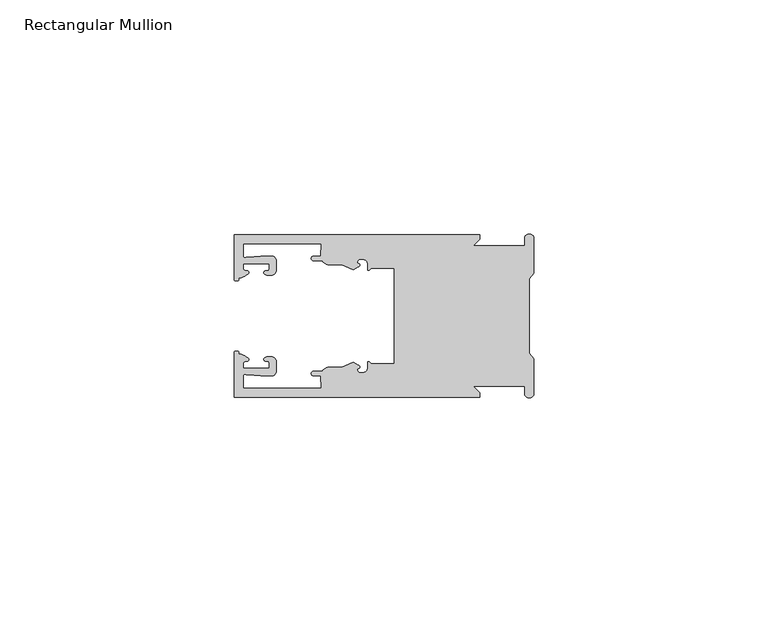
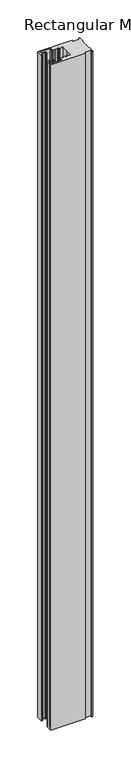
"""IFC4 building model written with IfcOpenShell, lengths in millimetres: member geometry, Rectangular Mullion."""

import ifcopenshell
import ifcopenshell.guid

model = None  # the IFC model being written
_history = None  # IfcOwnerHistory: only IFC2X3 demands one
_inside = {}  # id of a spatial element -> (the spatial element, [elements in it])
_under = {}  # id of a project, library or spatial element -> (it, [spatial elements below it])
_declared = {}  # id of a project -> (the project, [libraries it declares])
_typed = {}  # id of a type object -> (the type object, [elements of that type])
_made_of = {}  # id of a material, layer set ... -> (it, [elements and type objects made of it])


def new_model(schema):
    """Start an empty IFC model of exactly this schema.

    Asked for "IFC4X3", IfcOpenShell would pick the latest addendum, in which some entities
    have other attributes; the version numbers below select the first issue.
    IFC2X3 requires an IfcOwnerHistory on every rooted entity: one is made here for all.
    """
    global model, _history
    if schema == "IFC4X3":
        model = ifcopenshell.file(schema_version=(4, 3, 0, 0))
    else:
        model = ifcopenshell.file(schema=schema)
    _inside.clear()
    _under.clear()
    _declared.clear()
    _typed.clear()
    _made_of.clear()
    _history = None
    if model.schema == "IFC2X3":
        org = make("IfcOrganization", Name="unknown")
        user = make(
            "IfcPersonAndOrganization",
            ThePerson=make("IfcPerson", FamilyName="unknown"),
            TheOrganization=org,
        )
        app = make(
            "IfcApplication",
            ApplicationDeveloper=org,
            Version="unknown",
            ApplicationFullName="unknown",
            ApplicationIdentifier="unknown",
        )
        _history = make(
            "IfcOwnerHistory",
            OwningUser=user,
            OwningApplication=app,
            ChangeAction="ADDED",
            CreationDate=0,
        )
    return model


def make(cls, **values):
    """One entity of the class cls with the attributes given. An attribute that is None is left unset."""
    return model.create_entity(
        cls, **{name: value for name, value in values.items() if value is not None}
    )


def rooted(cls, **values):
    """An entity with a GlobalId (a new one), such as an element, a storey or a relation."""
    return make(cls, GlobalId=ifcopenshell.guid.new(), OwnerHistory=_history, **values)


def si_unit(unit_type, name, prefix=None):
    """IfcSIUnit, for example si_unit("LENGTHUNIT", "METRE", prefix="MILLI")."""
    return make("IfcSIUnit", UnitType=unit_type, Prefix=prefix, Name=name)


def assignment(units):
    """IfcUnitAssignment: the units of a project."""
    return None if units is None else make("IfcUnitAssignment", Units=units)


def point(xyz):
    """IfcCartesianPoint."""
    return None if xyz is None else make("IfcCartesianPoint", Coordinates=xyz)


def direction(xyz):
    """IfcDirection."""
    return None if xyz is None else make("IfcDirection", DirectionRatios=xyz)


def frame(location, z_axis=None, x_axis=None):
    """IfcAxis2Placement3D, a coordinate frame: its origin and axes. An axis left out is left unset."""
    return make(
        "IfcAxis2Placement3D",
        Location=point(location),
        Axis=direction(z_axis),
        RefDirection=direction(x_axis),
    )


def origin():
    """The frame at (0, 0, 0) with its axes left unset."""
    return frame((0.0, 0.0, 0.0))


def place(relative_to, where):
    """IfcLocalPlacement: puts the frame where relative to a parent placement (None: the world)."""
    return make(
        "IfcLocalPlacement", PlacementRelTo=relative_to, RelativePlacement=where
    )


def context(
    kind, dimensions, precision=None, world=None, true_north=None, identifier=None
):
    """IfcGeometricRepresentationContext, for example the 3D "Model" context."""
    return make(
        "IfcGeometricRepresentationContext",
        ContextIdentifier=identifier,
        ContextType=kind,
        CoordinateSpaceDimension=dimensions,
        Precision=precision,
        WorldCoordinateSystem=world,
        TrueNorth=true_north,
    )


def project(units=None, contexts=None):
    """IfcProject with its units and contexts."""
    return rooted(
        "IfcProject",
        Name="project",
        RepresentationContexts=contexts,
        UnitsInContext=assignment(units),
    )


def spatial(cls, under=None, at=None, **own):
    """A site, building, storey or space (cls), placed at a placement, below another one or the project."""
    s = rooted(cls, ObjectPlacement=at, **own)
    if under is not None:
        _under.setdefault(under.id(), (under, []))[1].append(s)
    return s


def polyline(points):
    """IfcPolyline through the points."""
    return make("IfcPolyline", Points=[point(p) for p in points])


def circle_curve(where, radius):
    """IfcCircle in the frame where."""
    return make("IfcCircle", Position=where, Radius=radius)


def shape(context_of_items, identifier, shape_type, items):
    """IfcShapeRepresentation: the items that make up one representation, for example the "Body"."""
    return make(
        "IfcShapeRepresentation",
        ContextOfItems=context_of_items,
        RepresentationIdentifier=identifier,
        RepresentationType=shape_type,
        Items=items,
    )


def source(mapping_origin, context_of_items, identifier, shape_type, items):
    """IfcRepresentationMap: a shape defined once, which mapped items show again and again."""
    return make(
        "IfcRepresentationMap",
        MappingOrigin=mapping_origin,
        MappedRepresentation=shape(context_of_items, identifier, shape_type, items),
    )


def transform(
    local_origin,
    x_axis=None,
    y_axis=None,
    z_axis=None,
    scale=None,
    scale2=None,
    scale3=None,
    uniform=True,
):
    """IfcCartesianTransformationOperator3D, or its non-uniform kind. x_axis, y_axis, z_axis: its Axis1, 2, 3."""
    if uniform:
        return make(
            "IfcCartesianTransformationOperator3D",
            Axis1=direction(x_axis),
            Axis2=direction(y_axis),
            LocalOrigin=point(local_origin),
            Scale=scale,
            Axis3=direction(z_axis),
        )
    return make(
        "IfcCartesianTransformationOperator3DnonUniform",
        Axis1=direction(x_axis),
        Axis2=direction(y_axis),
        LocalOrigin=point(local_origin),
        Scale=scale,
        Axis3=direction(z_axis),
        Scale2=scale2,
        Scale3=scale3,
    )


def mapped(mapping_source, mapping_target):
    """IfcMappedItem: shows the shape of a source again, moved by a transform."""
    return make(
        "IfcMappedItem", MappingSource=mapping_source, MappingTarget=mapping_target
    )


def made_of(thing, what):
    """Note that an element or type object is made of a material, layer set ...; save() writes the relation."""
    if what is not None:
        _made_of.setdefault(what.id(), (what, []))[1].append(thing)
    return thing


def element(
    cls,
    number,
    at=None,
    inside=None,
    cuts=None,
    type_object=None,
    material=None,
    context=None,
    identifier="Body",
    shape_type=None,
    held_by="IfcProductDefinitionShape",
    body=None,
    shapes=None,
    **own,
):
    """One element of the class cls, such as IfcWall. Its Tag is "e" and its number.

    at: its placement. inside: the storey or other place that contains it. cuts: it is an
    opening in that element (IfcRelVoidsElement). A single representation is given by context,
    identifier, shape_type and body (its items); several are given by shapes. held_by: the class
    of the entity that holds the representations. save() writes the other relations.
    """
    e = rooted(cls, Tag="e%d" % number, ObjectPlacement=at, **own)
    if body is not None:
        shapes = [shape(context, identifier, shape_type, body)]
    if shapes is not None:
        e.Representation = make(held_by, Representations=shapes)
    if inside is not None:
        _inside.setdefault(inside.id(), (inside, []))[1].append(e)
    if cuts is not None:
        rooted(
            "IfcRelVoidsElement", RelatingBuildingElement=cuts, RelatedOpeningElement=e
        )
    if type_object is not None:
        _typed.setdefault(type_object.id(), (type_object, []))[1].append(e)
    return made_of(e, material)


def aggregate(whole, parts):
    """IfcRelAggregates: a whole, such as a stair, and the parts it consists of."""
    return rooted("IfcRelAggregates", RelatingObject=whole, RelatedObjects=parts)


def save(model, path):
    """Write the relations noted so far, then the file.

    IfcRelAggregates (storeys below a building ...), IfcRelContainedInSpatialStructure (elements
    in a storey), IfcRelDefinesByType, IfcRelAssociatesMaterial and IfcRelDeclares: one each for
    every whole, place, type object, material and project.
    """
    for whole, parts in _under.values():
        aggregate(whole, parts)
    for where, things in _inside.values():
        rooted(
            "IfcRelContainedInSpatialStructure",
            RelatedElements=things,
            RelatingStructure=where,
        )
    for kind, things in _typed.values():
        rooted("IfcRelDefinesByType", RelatedObjects=things, RelatingType=kind)
    for what, things in _made_of.values():
        rooted("IfcRelAssociatesMaterial", RelatedObjects=things, RelatingMaterial=what)
    for by, libraries in _declared.values():
        rooted("IfcRelDeclares", RelatingContext=by, RelatedDefinitions=libraries)
    model.write(path)


def plane_surface(at):
    """IfcPlane: the flat surface through the origin of the frame at, square to its z axis."""
    return make("IfcPlane", Position=at)


def cylinder_surface(at, radius):
    """IfcCylindricalSurface: all points at the distance radius from the z axis of the frame at."""
    return make("IfcCylindricalSurface", Position=at, Radius=radius)


def revolved_surface(curve, axis_point, axis_direction):
    """IfcSurfaceOfRevolution: the curve turned about the line through axis_point along axis_direction."""
    return make(
        "IfcSurfaceOfRevolution",
        SweptCurve=make("IfcArbitraryOpenProfileDef", ProfileType="CURVE", Curve=curve),
        AxisPosition=make("IfcAxis1Placement", Location=point(axis_point), Axis=direction(axis_direction)),
    )


def extruded_surface(curve, direction_of_extrusion, depth):
    """IfcSurfaceOfLinearExtrusion: the curve pushed along a direction by depth."""
    return make(
        "IfcSurfaceOfLinearExtrusion",
        SweptCurve=make("IfcArbitraryOpenProfileDef", ProfileType="CURVE", Curve=curve),
        ExtrudedDirection=direction(direction_of_extrusion),
        Depth=depth,
    )


def spline_curve(degree, points, multiplicities, knots, weights=None):
    """IfcBSplineCurveWithKnots; with weights, IfcRationalBSplineCurveWithKnots."""
    own = dict(
        Degree=degree,
        ControlPointsList=[point(p) for p in points],
        CurveForm="UNSPECIFIED",
        ClosedCurve=False,
        SelfIntersect=False,
        KnotMultiplicities=multiplicities,
        Knots=knots,
        KnotSpec="UNSPECIFIED",
    )
    if weights is None:
        return make("IfcBSplineCurveWithKnots", **own)
    return make("IfcRationalBSplineCurveWithKnots", WeightsData=weights, **own)


def advanced_brep(points, edges, surfaces, faces):
    """IfcAdvancedBrep: a solid bounded by faces that lie on surfaces and meet in shared edges.

    An edge is (start, end): straight between two places in points (the first is 0);
    or (start, end, curve); or (start, end, curve, False) where it runs against its curve.
    A face is (place in surfaces, loops), or (place, loops, False) where it looks against
    its surface's normal. A loop lists edges by number (the first is 1), with a minus sign
    where the edge is run from its end to its start. The first loop is the outer one.
    """
    corners = [point(p) for p in points]
    vertices = [make("IfcVertexPoint", VertexGeometry=c) for c in corners]
    made = []
    for start, end, *more in edges:
        made.append(
            make(
                "IfcEdgeCurve",
                EdgeStart=vertices[start],
                EdgeEnd=vertices[end],
                EdgeGeometry=more[0] if more else make("IfcPolyline", Points=[corners[start], corners[end]]),
                SameSense=more[1] if len(more) > 1 else True,
            )
        )
    hull = []
    for where, loops, *sense in faces:
        bounds = []
        for j, loop in enumerate(loops):
            ring = [make("IfcOrientedEdge", EdgeElement=made[abs(k) - 1], Orientation=k > 0) for k in loop]
            bounds.append(
                make(
                    "IfcFaceOuterBound" if j == 0 else "IfcFaceBound",
                    Bound=make("IfcEdgeLoop", EdgeList=ring),
                    Orientation=True,
                )
            )
        hull.append(make("IfcAdvancedFace", Bounds=bounds, FaceSurface=surfaces[where], SameSense=sense[0] if sense else True))
    return make("IfcAdvancedBrep", Outer=make("IfcClosedShell", CfsFaces=hull))


def rectangular_mullion_878ceef8(model_context):
    return source(origin(), model_context, "Body", "AdvancedBrep", [
        advanced_brep(
        [(-11.5387897, 17.4000478, 0.0), (-64.0387868, 17.4000478, 0.0), (-64.0387868, 7.8350057, 0.0), (-63.2884687, 7.5412947, 0.0), (-62.4614154, 8.1921895, 0.0), (-62.0410649, 9.9426451, 0.0), (-62.0424168, 11.1926444, 0.0), (-56.54242, 11.1985924, 0.0), (-56.5410682, 9.9485931, 0.0), (-57.1085345, 8.7314723, 0.0), (-56.0397166, 8.6991345, 0.0), (-55.0407987, 9.7002154, 0.0), (-55.0430697, 11.8002142, 0.0), (-56.0446364, 12.7991315, 0.0), (-58.3650753, 12.7954945, 0.0), (-61.1340054, 12.5502269, 0.0), (-62.044093, 12.7426435, 0.0), (-62.0469668, 15.4000478, 0.0), (-45.4240312, 15.4000478, 0.0), (-45.5732135, 12.8000478, 0.0), (-47.0387868, 12.8000478, 0.0), (-47.0387868, 11.8000478, 0.0), (-45.2543363, 11.8000478, 0.0), (-43.6387868, 10.9000478, 0.0), (-41.0454034, 10.9000478, 0.0), (-38.5697136, 9.8718293, 0.0), (-37.5387868, 10.4670351, 0.0), (-37.6803436, 11.4201497, 0.0), (-37.0270763, 12.1583697, 0.0), (-36.2010815, 12.0127245, 0.0), (-35.54, 11.2248783, 0.0), (-35.54, 10.0, 0.0), (-34.7705791, 10.25, 0.0), (-29.79, 10.25, 0.0), (-29.79, 0.0, 0.0), (-29.79, -10.25, 0.0), (-34.7705791, -10.25, 0.0), (-35.54, -10.0, 0.0), (-35.54, -11.2248783, 0.0), (-36.2010815, -12.0127245, 0.0), (-37.0270763, -12.1583697, 0.0), (-37.6803436, -11.4201497, 0.0), (-37.5387868, -10.4670351, 0.0), (-38.5697136, -9.8718293, 0.0), (-41.0454034, -10.9000478, 0.0), (-43.6387868, -10.9000478, 0.0), (-45.2543363, -11.8000478, 0.0), (-47.0387868, -11.8000478, 0.0), (-47.0387868, -12.8000478, 0.0), (-45.5732135, -12.8000478, 0.0), (-45.4240312, -15.4000478, 0.0), (-62.0469668, -15.4000478, 0.0), (-62.044093, -12.7426435, 0.0), (-61.1340054, -12.5502269, 0.0), (-58.3650753, -12.7954945, 0.0), (-56.0446364, -12.7991314, 0.0), (-55.0430697, -11.8002142, 0.0), (-55.0407987, -9.7002154, 0.0), (-56.0397166, -8.6991345, 0.0), (-57.1085345, -8.7314723, 0.0), (-56.5410682, -9.9485931, 0.0), (-56.54242, -11.1985924, 0.0), (-62.0424168, -11.1926444, 0.0), (-62.0410649, -9.9426451, 0.0), (-62.4614154, -8.1921895, 0.0), (-63.2884687, -7.5412947, 0.0), (-64.0387868, -7.8350057, 0.0), (-64.0387868, -17.4000478, 0.0), (-11.5387897, -17.4000478, 0.0), (-11.5387897, -16.4000449, 0.0), (-12.9388346, -15.0, 0.0), (-2.0, -15.0, 0.0), (-2.0, -16.5, 0.0), (0.0, -16.5, 0.0), (0.0, -9.1160254, 0.0), (-1.0, -7.9613249, 0.0), (-1.0, 0.0, 0.0), (-1.0, 7.9613249, 0.0), (0.0, 9.1160254, 0.0), (0.0, 16.5, 0.0), (-2.0, 16.5, 0.0), (-2.0, 15.0, 0.0), (-12.9388346, 15.0, 0.0), (-11.5387897, 16.4000449, 0.0), (-11.5387897, 17.4000478, -1075.5733037), (-11.5387897, 16.4000449, -1075.5733037), (-12.9388346, 15.0, -1075.5733037), (-2.0, 15.0, -1075.5733037), (-2.0, 16.5, -1075.5733037), (0.0, 16.5, -1075.5733037), (0.0, 9.1160254, -1075.5733037), (-1.0, 7.9613249, -1075.5733037), (-1.0, 0.0, -1075.5733037), (-1.0, -7.9613249, -1075.5733037), (0.0, -9.1160254, -1075.5733037), (0.0, -16.5, -1075.5733037), (-2.0, -16.5, -1075.5733037), (-2.0, -15.0, -1075.5733037), (-12.9388346, -15.0, -1075.5733037), (-11.5387897, -16.4000449, -1075.5733037), (-11.5387897, -17.4000478, -1075.5733037), (-64.0387868, -17.4000478, -1075.5733037), (-64.0387868, -7.8350057, -1075.5733037), (-63.2884687, -7.5412947, -1075.5733037), (-62.4614154, -8.1921895, -1075.5733037), (-62.0410649, -9.9426451, -1075.5733037), (-62.0424168, -11.1926444, -1075.5733037), (-56.54242, -11.1985924, -1075.5733037), (-56.5410682, -9.9485931, -1075.5733037), (-57.1085345, -8.7314723, -1075.5733037), (-56.0397166, -8.6991345, -1075.5733037), (-55.0407987, -9.7002154, -1075.5733037), (-55.0430697, -11.8002142, -1075.5733037), (-56.0446364, -12.7991315, -1075.5733037), (-58.3650753, -12.7954945, -1075.5733037), (-61.1340054, -12.5502269, -1075.5733037), (-62.044093, -12.7426435, -1075.5733037), (-62.0469668, -15.4000478, -1075.5733037), (-45.4240312, -15.4000478, -1075.5733037), (-45.5732135, -12.8000478, -1075.5733037), (-47.0387868, -12.8000478, -1075.5733037), (-47.0387868, -11.8000478, -1075.5733037), (-45.2543363, -11.8000478, -1075.5733037), (-43.6387868, -10.9000478, -1075.5733037), (-41.0454034, -10.9000478, -1075.5733037), (-38.5697136, -9.8718293, -1075.5733037), (-37.5387868, -10.4670351, -1075.5733037), (-37.6803436, -11.4201497, -1075.5733037), (-37.0270763, -12.1583697, -1075.5733037), (-36.2010815, -12.0127245, -1075.5733037), (-35.54, -11.2248783, -1075.5733037), (-35.54, -10.0, -1075.5733037), (-34.7705791, -10.25, -1075.5733037), (-29.79, -10.25, -1075.5733037), (-29.79, 0.0, -1075.5733037), (-29.79, 10.25, -1075.5733037), (-34.7705791, 10.25, -1075.5733037), (-35.54, 10.0, -1075.5733037), (-35.54, 11.2248783, -1075.5733037), (-36.2010815, 12.0127245, -1075.5733037), (-37.0270763, 12.1583697, -1075.5733037), (-37.6803436, 11.4201497, -1075.5733037), (-37.5387868, 10.4670351, -1075.5733037), (-38.5697136, 9.8718293, -1075.5733037), (-41.0454034, 10.9000478, -1075.5733037), (-43.6387868, 10.9000478, -1075.5733037), (-45.2543363, 11.8000478, -1075.5733037), (-47.0387868, 11.8000478, -1075.5733037), (-47.0387868, 12.8000478, -1075.5733037), (-45.5732135, 12.8000478, -1075.5733037), (-45.4240312, 15.4000478, -1075.5733037), (-62.0469668, 15.4000478, -1075.5733037), (-62.044093, 12.7426435, -1075.5733037), (-61.1340054, 12.5502269, -1075.5733037), (-58.3650753, 12.7954945, -1075.5733037), (-56.0446364, 12.7991314, -1075.5733037), (-55.0430697, 11.8002142, -1075.5733037), (-55.0407987, 9.7002154, -1075.5733037), (-56.0397166, 8.6991345, -1075.5733037), (-57.1085345, 8.7314723, -1075.5733037), (-56.5410682, 9.9485931, -1075.5733037), (-56.54242, 11.1985924, -1075.5733037), (-62.0424168, 11.1926444, -1075.5733037), (-62.0410649, 9.9426451, -1075.5733037), (-62.4614154, 8.1921895, -1075.5733037), (-63.2884687, 7.5412947, -1075.5733037), (-64.0387868, 7.8350057, -1075.5733037), (-64.0387868, 17.4000478, -1075.5733037)],
        [
            (0, 1),
            (1, 2),
            (2, 3, spline_curve(3, [(-64.0387868, 7.8350057, 0.0), (-64.038491377, 7.561831774, 0.0), (-63.788385325, 7.463928087, 0.0), (-63.2884687, 7.5412947, 0.0)], [4, 4], [0.0, 0.0019169337574178654])),
            (3, 4, spline_curve(3, [(-63.2884687, 7.5412947, 0.0), (-63.057760917, 7.582232011, 0.0), (-63.018445067, 7.725390894, 0.0), (-63.019925494, 8.056436881, 0.0), (-63.103444208, 8.236386866, 0.0), (-62.4614154, 8.1921895, 0.0)], [4, 2, 4], [0.0, 0.0010199524164107188, 0.0024874514725970356])),
            (4, 5, spline_curve(3, [(-62.4614154, 8.1921895, 0.0), (-60.988497673, 8.880962536, 0.0), (-60.794045122, 9.192776957, 0.0), (-60.949808078, 9.57023562, 0.0), (-61.145214014, 9.682771697, 0.0), (-61.665835706, 9.714019003, 0.0), (-61.965242574, 9.660891484, 0.0), (-62.0410649, 9.9426451, 0.0)], [4, 2, 2, 4], [0.0, 0.003269869179570428, 0.005490050486237203, 0.0073545767114364426])),
            (5, 6),
            (6, 7),
            (7, 8),
            (8, 9, spline_curve(3, [(-56.5410682, 9.9485931, 0.0), (-56.634838635, 9.597117104, 0.0), (-56.904956774, 9.698238818, 0.0), (-57.324171444, 9.731086209, 0.0), (-57.45969165, 9.646199885, 0.0), (-57.729003352, 9.346016011, 0.0), (-57.859492582, 9.113082158, 0.0), (-57.1085345, 8.7314723, 0.0)], [4, 2, 2, 4], [0.0, 0.001593963049934732, 0.0033360256320283306, 0.005339140673503943])),
            (9, 10),
            (10, 11, circle_curve(frame((-56.0407981, 9.699134, 0.0), z_axis=(0.0, 0.0, 1.0), x_axis=(0.0010814451158627505, -0.9999994152380598, 0.0)), 1.0)),
            (11, 12),
            (12, 13, circle_curve(frame((-56.0430691, 11.7991327, 0.0), z_axis=(0.0, 0.0, 1.0), x_axis=(0.0010814451158627505, -0.9999994152380598, 0.0)), 1.0)),
            (13, 14),
            (14, 15),
            (15, 16, spline_curve(3, [(-61.1340054, 12.5502269, 0.0), (-61.605485428, 12.508463911, 0.0), (-61.992111419, 12.303164326, 0.0), (-62.044093, 12.7426435, 0.0)], [4, 4], [0.0, 0.0014803385355886016])),
            (16, 17),
            (17, 18),
            (18, 19),
            (19, 20),
            (20, 21, circle_curve(frame((-47.0387868, 12.3000478, 0.0), z_axis=(0.0, 0.0, 1.0), x_axis=(0.0, -1.0, 0.0)), 0.5)),
            (21, 22),
            (22, 23, circle_curve(frame((-43.6387868, 12.8000478, 0.0), z_axis=(0.0, 0.0, 1.0), x_axis=(0.0, -1.0, 0.0)), 1.9)),
            (23, 24),
            (24, 25),
            (25, 26),
            (26, 27, spline_curve(3, [(-37.5387868, 10.4670351, 0.0), (-36.973919853, 10.833863985, 0.0), (-37.198159645, 11.135696286, 0.0), (-37.587892011, 11.260246073, 0.0), (-37.754584192, 11.180452419, 0.0), (-37.6803436, 11.4201497, 0.0)], [4, 2, 4], [0.0, 0.0019283703160353726, 0.003394584635652914])),
            (27, 28, circle_curve(frame((-37.0434863, 11.5147359, 0.0), z_axis=(0.0, 0.0, -1.0), x_axis=(0.0, -1.0, 0.0)), 0.643843)),
            (28, 29),
            (29, 30, circle_curve(frame((-36.34, 11.2248783, 0.0), z_axis=(0.0, 0.0, -1.0), x_axis=(0.0, -1.0, 0.0)), 0.8)),
            (30, 31),
            (31, 32, spline_curve(3, [(-35.54, 10.0, 0.0), (-35.440000238, 9.598293201, 0.0), (-35.183526594, 9.681626535, 0.0), (-34.7705791, 10.25, 0.0)], [4, 4], [0.0, 0.0027473296990141553])),
            (32, 33),
            (33, 34),
            (34, 35),
            (35, 36),
            (36, 37, spline_curve(3, [(-34.7705791, -10.25, 0.0), (-35.183526594, -9.681626535, 0.0), (-35.440000238, -9.598293201, 0.0), (-35.54, -10.0, 0.0)], [4, 4], [0.0, 0.0027473296990141553])),
            (37, 38),
            (38, 39, circle_curve(frame((-36.34, -11.2248783, 0.0), z_axis=(0.0, 0.0, -1.0), x_axis=(0.0, 1.0, 0.0)), 0.8)),
            (39, 40),
            (40, 41, circle_curve(frame((-37.0434863, -11.5147359, 0.0), z_axis=(0.0, 0.0, -1.0), x_axis=(0.0, 1.0, 0.0)), 0.643843)),
            (41, 42, spline_curve(3, [(-37.6803436, -11.4201497, 0.0), (-37.754584192, -11.180452419, 0.0), (-37.587892011, -11.260246073, 0.0), (-37.198159645, -11.135696286, 0.0), (-36.973919853, -10.833863985, 0.0), (-37.5387868, -10.4670351, 0.0)], [4, 2, 4], [0.0, 0.0014662143196175414, 0.003394584635652914])),
            (42, 43),
            (43, 44),
            (44, 45),
            (45, 46, circle_curve(frame((-43.6387868, -12.8000478, 0.0), z_axis=(0.0, 0.0, 1.0), x_axis=(0.0, 1.0, 0.0)), 1.9)),
            (46, 47),
            (47, 48, circle_curve(frame((-47.0387868, -12.3000478, 0.0), z_axis=(0.0, 0.0, 1.0), x_axis=(0.0, 1.0, 0.0)), 0.5)),
            (48, 49),
            (49, 50),
            (50, 51),
            (51, 52),
            (52, 53, spline_curve(3, [(-62.044093, -12.7426435, 0.0), (-61.992111419, -12.303164326, 0.0), (-61.605485428, -12.508463911, 0.0), (-61.1340054, -12.5502269, 0.0)], [4, 4], [0.0, 0.0014803385355886016])),
            (53, 54),
            (54, 55),
            (55, 56, circle_curve(frame((-56.0430691, -11.7991327, 0.0), z_axis=(0.0, 0.0, 1.0), x_axis=(0.001081445115855867, 0.9999994152380598, 0.0)), 1.0)),
            (56, 57),
            (57, 58, circle_curve(frame((-56.0407981, -9.699134, 0.0), z_axis=(0.0, 0.0, 1.0), x_axis=(0.001081445115855867, 0.9999994152380598, 0.0)), 1.0)),
            (58, 59),
            (59, 60, spline_curve(3, [(-57.1085345, -8.7314723, 0.0), (-57.859492582, -9.113082158, 0.0), (-57.729003352, -9.346016011, 0.0), (-57.45969165, -9.646199885, 0.0), (-57.324171444, -9.731086209, 0.0), (-56.904956774, -9.698238818, 0.0), (-56.634838635, -9.597117104, 0.0), (-56.5410682, -9.9485931, 0.0)], [4, 2, 2, 4], [0.0, 0.002003115041475612, 0.0037451776235692107, 0.005339140673503943])),
            (60, 61),
            (61, 62),
            (62, 63),
            (63, 64, spline_curve(3, [(-62.0410649, -9.9426451, 0.0), (-61.965242574, -9.660891484, 0.0), (-61.665835706, -9.714019003, 0.0), (-61.145214014, -9.682771697, 0.0), (-60.949808078, -9.57023562, 0.0), (-60.794045122, -9.192776957, 0.0), (-60.988497673, -8.880962536, 0.0), (-62.4614154, -8.1921895, 0.0)], [4, 2, 2, 4], [0.0, 0.0018645262251992395, 0.004084707531866015, 0.0073545767114364426])),
            (64, 65, spline_curve(3, [(-62.4614154, -8.1921895, 0.0), (-63.103444208, -8.236386866, 0.0), (-63.019925494, -8.056436881, 0.0), (-63.018445067, -7.725390894, 0.0), (-63.057760917, -7.582232011, 0.0), (-63.2884687, -7.5412947, 0.0)], [4, 2, 4], [0.0, 0.0014674990561863168, 0.0024874514725970356])),
            (65, 66, spline_curve(3, [(-63.2884687, -7.5412947, 0.0), (-63.788385325, -7.463928087, 0.0), (-64.038491377, -7.561831774, 0.0), (-64.0387868, -7.8350057, 0.0)], [4, 4], [0.0, 0.0019169337574178654])),
            (66, 67),
            (67, 68),
            (68, 69),
            (69, 70),
            (70, 71),
            (71, 72),
            (72, 73, circle_curve(frame((-1.0, -16.5, 0.0), z_axis=(0.0, 0.0, 1.0), x_axis=(0.0, 1.0, 0.0)), 1.0)),
            (73, 74),
            (74, 75),
            (75, 76),
            (76, 77),
            (77, 78),
            (78, 79),
            (79, 80, circle_curve(frame((-1.0, 16.5, 0.0), z_axis=(0.0, 0.0, 1.0), x_axis=(0.0, -1.0, 0.0)), 1.0)),
            (80, 81),
            (81, 82),
            (82, 83),
            (83, 0),
            (84, 85),
            (85, 86),
            (86, 87),
            (87, 88),
            (88, 89, circle_curve(frame((-1.0, 16.5, -1075.5733037), z_axis=(0.0, 0.0, -1.0), x_axis=(0.0, -1.0, 0.0)), 1.0)),
            (89, 90),
            (90, 91),
            (91, 92),
            (92, 93),
            (93, 94),
            (94, 95),
            (95, 96, circle_curve(frame((-1.0, -16.5, -1075.5733037), z_axis=(0.0, 0.0, -1.0), x_axis=(0.0, 1.0, 0.0)), 1.0)),
            (96, 97),
            (97, 98),
            (98, 99),
            (99, 100),
            (100, 101),
            (101, 102),
            (102, 103, spline_curve(3, [(-64.0387868, -7.8350057, -1075.5733037), (-64.038491377, -7.561831774, -1075.5733037), (-63.788385325, -7.463928087, -1075.5733037), (-63.2884687, -7.5412947, -1075.5733037)], [4, 4], [0.0, 0.0019169337574178654])),
            (103, 104, spline_curve(3, [(-63.2884687, -7.5412947, -1075.5733037), (-63.057760917, -7.582232011, -1075.5733037), (-63.018445067, -7.725390894, -1075.5733037), (-63.019925494, -8.056436881, -1075.5733037), (-63.103444208, -8.236386866, -1075.5733037), (-62.4614154, -8.1921895, -1075.5733037)], [4, 2, 4], [0.0, 0.0010199524164107188, 0.0024874514725970356])),
            (104, 105, spline_curve(3, [(-62.4614154, -8.1921895, -1075.5733037), (-60.988497673, -8.880962536, -1075.5733037), (-60.794045122, -9.192776957, -1075.5733037), (-60.949808078, -9.57023562, -1075.5733037), (-61.145214014, -9.682771697, -1075.5733037), (-61.665835706, -9.714019003, -1075.5733037), (-61.965242574, -9.660891484, -1075.5733037), (-62.0410649, -9.9426451, -1075.5733037)], [4, 2, 2, 4], [0.0, 0.003269869179570428, 0.005490050486237203, 0.0073545767114364426])),
            (105, 106),
            (106, 107),
            (107, 108),
            (108, 109, spline_curve(3, [(-56.5410682, -9.9485931, -1075.5733037), (-56.634838635, -9.597117104, -1075.5733037), (-56.904956774, -9.698238818, -1075.5733037), (-57.324171444, -9.731086209, -1075.5733037), (-57.45969165, -9.646199885, -1075.5733037), (-57.729003352, -9.346016011, -1075.5733037), (-57.859492582, -9.113082158, -1075.5733037), (-57.1085345, -8.7314723, -1075.5733037)], [4, 2, 2, 4], [0.0, 0.001593963049934732, 0.0033360256320283306, 0.005339140673503943])),
            (109, 110),
            (110, 111, circle_curve(frame((-56.0407981, -9.699134, -1075.5733037), z_axis=(0.0, 0.0, -1.0), x_axis=(0.001081445115855867, 0.9999994152380598, 0.0)), 1.0)),
            (111, 112),
            (112, 113, circle_curve(frame((-56.0430691, -11.7991327, -1075.5733037), z_axis=(0.0, 0.0, -1.0), x_axis=(0.001081445115855867, 0.9999994152380598, 0.0)), 1.0)),
            (113, 114),
            (114, 115),
            (115, 116, spline_curve(3, [(-61.1340054, -12.5502269, -1075.5733037), (-61.605485428, -12.508463911, -1075.5733037), (-61.992111419, -12.303164326, -1075.5733037), (-62.044093, -12.7426435, -1075.5733037)], [4, 4], [0.0, 0.0014803385355886016])),
            (116, 117),
            (117, 118),
            (118, 119),
            (119, 120),
            (120, 121, circle_curve(frame((-47.0387868, -12.3000478, -1075.5733037), z_axis=(0.0, 0.0, -1.0), x_axis=(0.0, 1.0, 0.0)), 0.5)),
            (121, 122),
            (122, 123, circle_curve(frame((-43.6387868, -12.8000478, -1075.5733037), z_axis=(0.0, 0.0, -1.0), x_axis=(0.0, 1.0, 0.0)), 1.9)),
            (123, 124),
            (124, 125),
            (125, 126),
            (126, 127, spline_curve(3, [(-37.5387868, -10.4670351, -1075.5733037), (-36.973919853, -10.833863985, -1075.5733037), (-37.198159645, -11.135696286, -1075.5733037), (-37.587892011, -11.260246073, -1075.5733037), (-37.754584192, -11.180452419, -1075.5733037), (-37.6803436, -11.4201497, -1075.5733037)], [4, 2, 4], [0.0, 0.0019283703160353726, 0.003394584635652914])),
            (127, 128, circle_curve(frame((-37.0434863, -11.5147359, -1075.5733037), z_axis=(0.0, 0.0, 1.0), x_axis=(0.0, 1.0, 0.0)), 0.643843)),
            (128, 129),
            (129, 130, circle_curve(frame((-36.34, -11.2248783, -1075.5733037), z_axis=(0.0, 0.0, 1.0), x_axis=(0.0, 1.0, 0.0)), 0.8)),
            (130, 131),
            (131, 132, spline_curve(3, [(-35.54, -10.0, -1075.5733037), (-35.440000238, -9.598293201, -1075.5733037), (-35.183526594, -9.681626535, -1075.5733037), (-34.7705791, -10.25, -1075.5733037)], [4, 4], [0.0, 0.0027473296990141553])),
            (132, 133),
            (133, 134),
            (134, 135),
            (135, 136),
            (136, 137, spline_curve(3, [(-34.7705791, 10.25, -1075.5733037), (-35.183526594, 9.681626535, -1075.5733037), (-35.440000238, 9.598293201, -1075.5733037), (-35.54, 10.0, -1075.5733037)], [4, 4], [0.0, 0.0027473296990141553])),
            (137, 138),
            (138, 139, circle_curve(frame((-36.34, 11.2248783, -1075.5733037), z_axis=(0.0, 0.0, 1.0), x_axis=(0.0, -1.0, 0.0)), 0.8)),
            (139, 140),
            (140, 141, circle_curve(frame((-37.0434863, 11.5147359, -1075.5733037), z_axis=(0.0, 0.0, 1.0), x_axis=(0.0, -1.0, 0.0)), 0.643843)),
            (141, 142, spline_curve(3, [(-37.6803436, 11.4201497, -1075.5733037), (-37.754584192, 11.180452419, -1075.5733037), (-37.587892011, 11.260246073, -1075.5733037), (-37.198159645, 11.135696286, -1075.5733037), (-36.973919853, 10.833863985, -1075.5733037), (-37.5387868, 10.4670351, -1075.5733037)], [4, 2, 4], [0.0, 0.0014662143196175414, 0.003394584635652914])),
            (142, 143),
            (143, 144),
            (144, 145),
            (145, 146, circle_curve(frame((-43.6387868, 12.8000478, -1075.5733037), z_axis=(0.0, 0.0, -1.0), x_axis=(0.0, -1.0, 0.0)), 1.9)),
            (146, 147),
            (147, 148, circle_curve(frame((-47.0387868, 12.3000478, -1075.5733037), z_axis=(0.0, 0.0, -1.0), x_axis=(0.0, -1.0, 0.0)), 0.5)),
            (148, 149),
            (149, 150),
            (150, 151),
            (151, 152),
            (152, 153, spline_curve(3, [(-62.044093, 12.7426435, -1075.5733037), (-61.992111419, 12.303164326, -1075.5733037), (-61.605485428, 12.508463911, -1075.5733037), (-61.1340054, 12.5502269, -1075.5733037)], [4, 4], [0.0, 0.0014803385355886016])),
            (153, 154),
            (154, 155),
            (155, 156, circle_curve(frame((-56.0430691, 11.7991327, -1075.5733037), z_axis=(0.0, 0.0, -1.0), x_axis=(0.0010814451158627505, -0.9999994152380598, 0.0)), 1.0)),
            (156, 157),
            (157, 158, circle_curve(frame((-56.0407981, 9.699134, -1075.5733037), z_axis=(0.0, 0.0, -1.0), x_axis=(0.0010814451158627505, -0.9999994152380598, 0.0)), 1.0)),
            (158, 159),
            (159, 160, spline_curve(3, [(-57.1085345, 8.7314723, -1075.5733037), (-57.859492582, 9.113082158, -1075.5733037), (-57.729003352, 9.346016011, -1075.5733037), (-57.45969165, 9.646199885, -1075.5733037), (-57.324171444, 9.731086209, -1075.5733037), (-56.904956774, 9.698238818, -1075.5733037), (-56.634838635, 9.597117104, -1075.5733037), (-56.5410682, 9.9485931, -1075.5733037)], [4, 2, 2, 4], [0.0, 0.002003115041475612, 0.0037451776235692107, 0.005339140673503943])),
            (160, 161),
            (161, 162),
            (162, 163),
            (163, 164, spline_curve(3, [(-62.0410649, 9.9426451, -1075.5733037), (-61.965242574, 9.660891484, -1075.5733037), (-61.665835706, 9.714019003, -1075.5733037), (-61.145214014, 9.682771697, -1075.5733037), (-60.949808078, 9.57023562, -1075.5733037), (-60.794045122, 9.192776957, -1075.5733037), (-60.988497673, 8.880962536, -1075.5733037), (-62.4614154, 8.1921895, -1075.5733037)], [4, 2, 2, 4], [0.0, 0.0018645262251992395, 0.004084707531866015, 0.0073545767114364426])),
            (164, 165, spline_curve(3, [(-62.4614154, 8.1921895, -1075.5733037), (-63.103444208, 8.236386866, -1075.5733037), (-63.019925494, 8.056436881, -1075.5733037), (-63.018445067, 7.725390894, -1075.5733037), (-63.057760917, 7.582232011, -1075.5733037), (-63.2884687, 7.5412947, -1075.5733037)], [4, 2, 4], [0.0, 0.0014674990561863168, 0.0024874514725970356])),
            (165, 166, spline_curve(3, [(-63.2884687, 7.5412947, -1075.5733037), (-63.788385325, 7.463928087, -1075.5733037), (-64.038491377, 7.561831774, -1075.5733037), (-64.0387868, 7.8350057, -1075.5733037)], [4, 4], [0.0, 0.0019169337574178654])),
            (166, 167),
            (167, 84),
            (0, 84),
            (167, 1),
            (166, 2),
            (165, 3),
            (164, 4),
            (163, 5),
            (162, 6),
            (161, 7),
            (160, 8),
            (159, 9),
            (158, 10),
            (157, 11),
            (156, 12),
            (155, 13),
            (154, 14),
            (153, 15),
            (152, 16),
            (151, 17),
            (150, 18),
            (149, 19),
            (148, 20),
            (147, 21),
            (146, 22),
            (145, 23),
            (144, 24),
            (143, 25),
            (142, 26),
            (141, 27),
            (140, 28),
            (139, 29),
            (138, 30),
            (137, 31),
            (136, 32),
            (135, 33),
            (134, 34),
            (133, 35),
            (132, 36),
            (131, 37),
            (130, 38),
            (129, 39),
            (128, 40),
            (127, 41),
            (126, 42),
            (125, 43),
            (124, 44),
            (123, 45),
            (122, 46),
            (121, 47),
            (120, 48),
            (119, 49),
            (118, 50),
            (117, 51),
            (116, 52),
            (115, 53),
            (114, 54),
            (113, 55),
            (112, 56),
            (111, 57),
            (110, 58),
            (109, 59),
            (108, 60),
            (107, 61),
            (106, 62),
            (105, 63),
            (104, 64),
            (103, 65),
            (102, 66),
            (101, 67),
            (100, 68),
            (99, 69),
            (98, 70),
            (97, 71),
            (96, 72),
            (95, 73),
            (94, 74),
            (93, 75),
            (92, 76),
            (91, 77),
            (90, 78),
            (89, 79),
            (88, 80),
            (87, 81),
            (86, 82),
            (85, 83),
        ],
        [
            plane_surface(frame((0.0, -66.3605898, 0.0), z_axis=(0.0, 0.0, 1.0), x_axis=(-1.0, 0.0, 0.0))),
            plane_surface(frame((0.0, -66.3605898, -1075.5733037), z_axis=(0.0, 0.0, -1.0), x_axis=(-1.0, 0.0, 0.0))),
            plane_surface(frame((-11.5387897, 17.4000478, 0.0), z_axis=(0.0, 1.0, 0.0), x_axis=(0.0, 0.0, -1.0))),
            plane_surface(frame((-64.0387868, 17.4000478, 0.0), z_axis=(-1.0, 0.0, 0.0), x_axis=(0.0, 0.0, -1.0))),
            extruded_surface(spline_curve(3, [(-64.0387868, 7.8350057, -1075.5733037), (-64.038491377, 7.561831774, -1075.5733037), (-63.788385325, 7.463928087, -1075.5733037), (-63.2884687, 7.5412947, -1075.5733037)], [4, 4], [0.0, 0.0019169337574178654]), (0.0, 0.0, 1075.5733037), 1075.5733037),
            extruded_surface(spline_curve(3, [(-63.2884687, 7.5412947, -1075.5733037), (-63.057760917, 7.582232011, -1075.5733037), (-63.018445067, 7.725390894, -1075.5733037), (-63.019925494, 8.056436881, -1075.5733037), (-63.103444208, 8.236386866, -1075.5733037), (-62.4614154, 8.1921895, -1075.5733037)], [4, 2, 4], [0.0, 0.0010199524164107188, 0.0024874514725970356]), (0.0, 0.0, 1075.5733037), 1075.5733037),
            extruded_surface(spline_curve(3, [(-62.4614154, 8.1921895, -1075.5733037), (-60.988497673, 8.880962536, -1075.5733037), (-60.794045122, 9.192776957, -1075.5733037), (-60.949808078, 9.57023562, -1075.5733037), (-61.145214014, 9.682771697, -1075.5733037), (-61.665835706, 9.714019003, -1075.5733037), (-61.965242574, 9.660891484, -1075.5733037), (-62.0410649, 9.9426451, -1075.5733037)], [4, 2, 2, 4], [0.0, 0.003269869179570428, 0.005490050486237203, 0.0073545767114364426]), (0.0, 0.0, 1075.5733037), 1075.5733037),
            plane_surface(frame((-62.0410649, 9.9426451, 0.0), z_axis=(0.9999994152380598, 0.0010814451158593665, 0.0), x_axis=(0.0, 0.0, -1.0))),
            plane_surface(frame((-62.0424168, 11.1926444, 0.0), z_axis=(0.0010814451158611391, -0.9999994152380598, 0.0), x_axis=(0.0, 0.0, -1.0))),
            plane_surface(frame((-56.54242, 11.1985924, 0.0), z_axis=(-0.9999994152380598, -0.0010814451158584516, 0.0), x_axis=(0.0, 0.0, -1.0))),
            extruded_surface(spline_curve(3, [(-56.5410682, 9.9485931, -1075.5733037), (-56.634838635, 9.597117104, -1075.5733037), (-56.904956774, 9.698238818, -1075.5733037), (-57.324171444, 9.731086209, -1075.5733037), (-57.45969165, 9.646199885, -1075.5733037), (-57.729003352, 9.346016011, -1075.5733037), (-57.859492582, 9.113082158, -1075.5733037), (-57.1085345, 8.7314723, -1075.5733037)], [4, 2, 2, 4], [0.0, 0.001593963049934732, 0.0033360256320283306, 0.005339140673503943]), (0.0, 0.0, 1075.5733037), 1075.5733037),
            plane_surface(frame((-57.1085345, 8.7314723, 0.0), z_axis=(-0.030241832452869922, -0.9995426111826813, 0.0), x_axis=(0.0, 0.0, -1.0))),
            cylinder_surface(frame((-56.0407981, 9.699134, 0.0), z_axis=(0.0, 0.0, 1.0000000000000002), x_axis=(0.0010814451158627505, -0.9999994152380598, 0.0)), 1.0),
            plane_surface(frame((-55.0407987, 9.7002154, 0.0), z_axis=(0.9999994152380598, 0.001081445115858722, 0.0), x_axis=(0.0, 0.0, -1.0))),
            cylinder_surface(frame((-56.0430691, 11.7991327, 0.0), z_axis=(0.0, 0.0, 1.0000000000000002), x_axis=(0.0010814451158627505, -0.9999994152380598, 0.0)), 1.0),
            plane_surface(frame((-56.0446364, 12.7991314, 0.0), z_axis=(-0.0015673183327907744, 0.9999987717558677, 0.0), x_axis=(0.0, 0.0, -1.0))),
            plane_surface(frame((-58.3650753, 12.7954945, 0.0), z_axis=(-0.08823302167299531, 0.9960998614026874, 0.0), x_axis=(0.0, 0.0, -1.0))),
            extruded_surface(spline_curve(3, [(-61.1340054, 12.5502269, -1075.5733037), (-61.605485428, 12.508463911, -1075.5733037), (-61.992111419, 12.303164326, -1075.5733037), (-62.044093, 12.7426435, -1075.5733037)], [4, 4], [0.0, 0.0014803385355886016]), (0.0, 0.0, 1075.5733037), 1075.5733037),
            plane_surface(frame((-62.044093, 12.7426435, 0.0), z_axis=(0.9999994152380598, 0.0010814451158597813, 0.0), x_axis=(0.0, 0.0, -1.0))),
            plane_surface(frame((-62.0469668, 15.4000478, 0.0), z_axis=(0.0, -1.0, 0.0), x_axis=(0.0, 0.0, -1.0))),
            plane_surface(frame((-45.4240312, 15.4000478, 0.0), z_axis=(-0.9983579461523547, 0.05728360458675776, 0.0), x_axis=(0.0, 0.0, -1.0))),
            plane_surface(frame((-45.5732135, 12.8000478, 0.0), z_axis=(0.0, 1.0, 0.0), x_axis=(0.0, 0.0, -1.0))),
            cylinder_surface(frame((-47.0387868, 12.3000478, 0.0), z_axis=(0.0, 0.0, 1.0), x_axis=(0.0, -1.0, 0.0)), 0.5),
            plane_surface(frame((-47.0387868, 11.8000478, 0.0), z_axis=(0.0, -1.0, 0.0), x_axis=(0.0, 0.0, -1.0))),
            cylinder_surface(frame((-43.6387868, 12.8000478, 0.0), z_axis=(0.0, 0.0, 1.0), x_axis=(0.0, -1.0, 0.0)), 1.9),
            plane_surface(frame((-43.6387868, 10.9000478, 0.0), z_axis=(0.0, -1.0, 0.0), x_axis=(0.0, 0.0, -1.0))),
            plane_surface(frame((-41.0454034, 10.9000478, 0.0), z_axis=(-0.3835602140750569, -0.9235158700199453, 0.0), x_axis=(0.0, 0.0, -1.0))),
            plane_surface(frame((-38.5697136, 9.8718293, 0.0), z_axis=(0.5000000000252295, -0.8660254037698725, 0.0), x_axis=(0.0, 0.0, -1.0))),
            extruded_surface(spline_curve(3, [(-37.5387868, 10.4670351, -1075.5733037), (-36.973919853, 10.833863985, -1075.5733037), (-37.198159645, 11.135696286, -1075.5733037), (-37.587892011, 11.260246073, -1075.5733037), (-37.754584192, 11.180452419, -1075.5733037), (-37.6803436, 11.4201497, -1075.5733037)], [4, 2, 4], [0.0, 0.0019283703160353726, 0.003394584635652914]), (0.0, 0.0, 1075.5733037), 1075.5733037),
            revolved_surface(polyline([(-37.0434863, 10.8708929, -1075.5733037), (-37.0434863, 10.8708929, 0.0)]), (-37.0434863, 11.5147359, 0.0), (0.0, 0.0, -1.0)),
            plane_surface(frame((-37.0270763, 12.1583697, 0.0), z_axis=(-0.17364817767050408, -0.984807753011578, 0.0), x_axis=(0.0, 0.0, -1.0))),
            revolved_surface(polyline([(-36.34, 10.4248783, -1075.5733037), (-36.34, 10.4248783, 0.0)]), (-36.34, 11.2248783, 0.0), (0.0, 0.0, -1.0)),
            plane_surface(frame((-35.54, 11.2248783, 0.0), z_axis=(-1.0, 0.0, 0.0), x_axis=(0.0, 0.0, -1.0))),
            extruded_surface(spline_curve(3, [(-35.54, 10.0, -1075.5733037), (-35.440000238, 9.598293201, -1075.5733037), (-35.183526594, 9.681626535, -1075.5733037), (-34.7705791, 10.25, -1075.5733037)], [4, 4], [0.0, 0.0027473296990141553]), (0.0, 0.0, 1075.5733037), 1075.5733037),
            plane_surface(frame((-34.7705791, 10.25, 0.0), z_axis=(0.0, -1.0, 0.0), x_axis=(0.0, 0.0, -1.0))),
            plane_surface(frame((-29.79, 10.25, 0.0), z_axis=(-1.0, 0.0, 0.0), x_axis=(0.0, 0.0, -1.0))),
            plane_surface(frame((-29.79, 0.0, 0.0), z_axis=(-1.0, 0.0, 0.0), x_axis=(0.0, 0.0, -1.0))),
            plane_surface(frame((-29.79, -10.25, 0.0), z_axis=(0.0, 1.0, 0.0), x_axis=(0.0, 0.0, -1.0))),
            extruded_surface(spline_curve(3, [(-34.7705791, -10.25, -1075.5733037), (-35.183526594, -9.681626535, -1075.5733037), (-35.440000238, -9.598293201, -1075.5733037), (-35.54, -10.0, -1075.5733037)], [4, 4], [0.0, 0.0027473296990141553]), (0.0, 0.0, 1075.5733037), 1075.5733037),
            plane_surface(frame((-35.54, -10.0, 0.0), z_axis=(-1.0, 0.0, 0.0), x_axis=(0.0, 0.0, -1.0))),
            revolved_surface(polyline([(-36.34, -10.4248783, -1075.5733037), (-36.34, -10.4248783, 0.0)]), (-36.34, -11.2248783, 0.0), (0.0, 0.0, -1.0)),
            plane_surface(frame((-36.2010815, -12.0127245, 0.0), z_axis=(-0.17364817767051083, 0.9848077530115767, 0.0), x_axis=(0.0, 0.0, -1.0))),
            revolved_surface(polyline([(-37.0434863, -10.8708929, -1075.5733037), (-37.0434863, -10.8708929, 0.0)]), (-37.0434863, -11.5147359, 0.0), (0.0, 0.0, -1.0)),
            extruded_surface(spline_curve(3, [(-37.6803436, -11.4201497, -1075.5733037), (-37.754584192, -11.180452419, -1075.5733037), (-37.587892011, -11.260246073, -1075.5733037), (-37.198159645, -11.135696286, -1075.5733037), (-36.973919853, -10.833863985, -1075.5733037), (-37.5387868, -10.4670351, -1075.5733037)], [4, 2, 4], [0.0, 0.0014662143196175414, 0.003394584635652914]), (0.0, 0.0, 1075.5733037), 1075.5733037),
            plane_surface(frame((-37.5387868, -10.4670351, 0.0), z_axis=(0.5000000000252234, 0.8660254037698759, 0.0), x_axis=(0.0, 0.0, -1.0))),
            plane_surface(frame((-38.5697136, -9.8718293, 0.0), z_axis=(-0.38356021407506324, 0.9235158700199426, 0.0), x_axis=(0.0, 0.0, -1.0))),
            plane_surface(frame((-41.0454034, -10.9000478, 0.0), z_axis=(0.0, 1.0, 0.0), x_axis=(0.0, 0.0, -1.0))),
            cylinder_surface(frame((-43.6387868, -12.8000478, 0.0), z_axis=(0.0, 0.0, 1.0), x_axis=(0.0, 1.0, 0.0)), 1.9),
            plane_surface(frame((-45.2543363, -11.8000478, 0.0), z_axis=(0.0, 1.0, 0.0), x_axis=(0.0, 0.0, -1.0))),
            cylinder_surface(frame((-47.0387868, -12.3000478, 0.0), z_axis=(0.0, 0.0, 1.0), x_axis=(0.0, 1.0, 0.0)), 0.5),
            plane_surface(frame((-47.0387868, -12.8000478, 0.0), z_axis=(0.0, -1.0, 0.0), x_axis=(0.0, 0.0, -1.0))),
            plane_surface(frame((-45.5732135, -12.8000478, 0.0), z_axis=(-0.9983579461523543, -0.05728360458676463, 0.0), x_axis=(0.0, 0.0, -1.0))),
            plane_surface(frame((-45.4240312, -15.4000478, 0.0), z_axis=(0.0, 1.0, 0.0), x_axis=(0.0, 0.0, -1.0))),
            plane_surface(frame((-62.0469668, -15.4000478, 0.0), z_axis=(0.9999994152380598, -0.001081445115852898, 0.0), x_axis=(0.0, 0.0, -1.0))),
            extruded_surface(spline_curve(3, [(-62.044093, -12.7426435, -1075.5733037), (-61.992111419, -12.303164326, -1075.5733037), (-61.605485428, -12.508463911, -1075.5733037), (-61.1340054, -12.5502269, -1075.5733037)], [4, 4], [0.0, 0.0014803385355886016]), (0.0, 0.0, 1075.5733037), 1075.5733037),
            plane_surface(frame((-61.1340054, -12.5502269, 0.0), z_axis=(-0.08823302167298844, -0.9960998614026879, 0.0), x_axis=(0.0, 0.0, -1.0))),
            plane_surface(frame((-58.3650753, -12.7954945, 0.0), z_axis=(-0.001567318332783891, -0.9999987717558677, 0.0), x_axis=(0.0, 0.0, -1.0))),
            cylinder_surface(frame((-56.0430691, -11.7991327, 0.0), z_axis=(0.0, 0.0, 1.0000000000000002), x_axis=(0.001081445115855867, 0.9999994152380598, 0.0)), 1.0),
            plane_surface(frame((-55.0430697, -11.8002142, 0.0), z_axis=(0.9999994152380598, -0.0010814451158518386, 0.0), x_axis=(0.0, 0.0, -1.0))),
            cylinder_surface(frame((-56.0407981, -9.699134, 0.0), z_axis=(0.0, 0.0, 1.0000000000000002), x_axis=(0.001081445115855867, 0.9999994152380598, 0.0)), 1.0),
            plane_surface(frame((-56.0397166, -8.6991345, 0.0), z_axis=(-0.030241832452876805, 0.9995426111826811, 0.0), x_axis=(0.0, 0.0, -1.0))),
            extruded_surface(spline_curve(3, [(-57.1085345, -8.7314723, -1075.5733037), (-57.859492582, -9.113082158, -1075.5733037), (-57.729003352, -9.346016011, -1075.5733037), (-57.45969165, -9.646199885, -1075.5733037), (-57.324171444, -9.731086209, -1075.5733037), (-56.904956774, -9.698238818, -1075.5733037), (-56.634838635, -9.597117104, -1075.5733037), (-56.5410682, -9.9485931, -1075.5733037)], [4, 2, 2, 4], [0.0, 0.002003115041475612, 0.0037451776235692107, 0.005339140673503943]), (0.0, 0.0, 1075.5733037), 1075.5733037),
            plane_surface(frame((-56.5410682, -9.9485931, 0.0), z_axis=(-0.9999994152380598, 0.0010814451158515682, 0.0), x_axis=(0.0, 0.0, -1.0))),
            plane_surface(frame((-56.54242, -11.1985924, 0.0), z_axis=(0.0010814451158542558, 0.9999994152380598, 0.0), x_axis=(0.0, 0.0, -1.0))),
            plane_surface(frame((-62.0424168, -11.1926444, 0.0), z_axis=(0.9999994152380598, -0.001081445115852483, 0.0), x_axis=(0.0, 0.0, -1.0))),
            extruded_surface(spline_curve(3, [(-62.0410649, -9.9426451, -1075.5733037), (-61.965242574, -9.660891484, -1075.5733037), (-61.665835706, -9.714019003, -1075.5733037), (-61.145214014, -9.682771697, -1075.5733037), (-60.949808078, -9.57023562, -1075.5733037), (-60.794045122, -9.192776957, -1075.5733037), (-60.988497673, -8.880962536, -1075.5733037), (-62.4614154, -8.1921895, -1075.5733037)], [4, 2, 2, 4], [0.0, 0.0018645262251992395, 0.004084707531866015, 0.0073545767114364426]), (0.0, 0.0, 1075.5733037), 1075.5733037),
            extruded_surface(spline_curve(3, [(-62.4614154, -8.1921895, -1075.5733037), (-63.103444208, -8.236386866, -1075.5733037), (-63.019925494, -8.056436881, -1075.5733037), (-63.018445067, -7.725390894, -1075.5733037), (-63.057760917, -7.582232011, -1075.5733037), (-63.2884687, -7.5412947, -1075.5733037)], [4, 2, 4], [0.0, 0.0014674990561863168, 0.0024874514725970356]), (0.0, 0.0, 1075.5733037), 1075.5733037),
            extruded_surface(spline_curve(3, [(-63.2884687, -7.5412947, -1075.5733037), (-63.788385325, -7.463928087, -1075.5733037), (-64.038491377, -7.561831774, -1075.5733037), (-64.0387868, -7.8350057, -1075.5733037)], [4, 4], [0.0, 0.0019169337574178654]), (0.0, 0.0, 1075.5733037), 1075.5733037),
            plane_surface(frame((-64.0387868, -7.8350057, 0.0), z_axis=(-1.0, 0.0, 0.0), x_axis=(0.0, 0.0, -1.0))),
            plane_surface(frame((-64.0387868, -17.4000478, 0.0), z_axis=(0.0, -1.0, 0.0), x_axis=(0.0, 0.0, -1.0))),
            plane_surface(frame((-11.5387897, -17.4000478, 0.0), z_axis=(1.0, 0.0, 0.0), x_axis=(0.0, 0.0, -1.0))),
            plane_surface(frame((-11.5387897, -16.4000449, 0.0), z_axis=(0.7071067811865457, 0.7071067811865493, 0.0), x_axis=(0.0, 0.0, -1.0))),
            plane_surface(frame((-12.9388346, -15.0, 0.0), z_axis=(0.0, -1.0, 0.0), x_axis=(0.0, 0.0, -1.0))),
            plane_surface(frame((-2.0, -15.0, 0.0), z_axis=(-1.0, 0.0, 0.0), x_axis=(0.0, 0.0, -1.0))),
            cylinder_surface(frame((-1.0, -16.5, 0.0), z_axis=(0.0, 0.0, 1.0), x_axis=(0.0, 1.0, 0.0)), 1.0),
            plane_surface(frame((0.0, -16.5, 0.0), z_axis=(1.0, 0.0, 0.0), x_axis=(0.0, 0.0, -1.0))),
            plane_surface(frame((0.0, -9.1160254, 0.0), z_axis=(0.7559289460231527, 0.6546536707025522, 0.0), x_axis=(0.0, 0.0, -1.0))),
            plane_surface(frame((-1.0, -7.9613249, 0.0), z_axis=(1.0, 0.0, 0.0), x_axis=(0.0, 0.0, -1.0))),
            plane_surface(frame((-1.0, 0.0, 0.0), z_axis=(1.0, 0.0, 0.0), x_axis=(0.0, 0.0, -1.0))),
            plane_surface(frame((-1.0, 7.9613249, 0.0), z_axis=(0.7559289460231571, -0.654653670702547, 0.0), x_axis=(0.0, 0.0, -1.0))),
            plane_surface(frame((0.0, 9.1160254, 0.0), z_axis=(1.0, 0.0, 0.0), x_axis=(0.0, 0.0, -1.0))),
            cylinder_surface(frame((-1.0, 16.5, 0.0), z_axis=(0.0, 0.0, 1.0), x_axis=(0.0, -1.0, 0.0)), 1.0),
            plane_surface(frame((-2.0, 16.5, 0.0), z_axis=(-1.0, 0.0, 0.0), x_axis=(0.0, 0.0, -1.0))),
            plane_surface(frame((-2.0, 15.0, 0.0), z_axis=(0.0, 1.0, 0.0), x_axis=(0.0, 0.0, -1.0))),
            plane_surface(frame((-12.9388346, 15.0, 0.0), z_axis=(0.7071067811865507, -0.7071067811865446, 0.0), x_axis=(0.0, 0.0, -1.0))),
            plane_surface(frame((-11.5387897, 16.4000449, 0.0), z_axis=(1.0, 0.0, 0.0), x_axis=(0.0, 0.0, -1.0))),
        ],
        [
            (0, [[1, 2, 3, 4, 5, 6, 7, 8, 9, 10, 11, 12, 13, 14, 15, 16, 17, 18, 19, 20, 21, 22, 23, 24, 25, 26, 27, 28, 29, 30, 31, 32, 33, 34, 35, 36, 37, 38, 39, 40, 41, 42, 43, 44, 45, 46, 47, 48, 49, 50, 51, 52, 53, 54, 55, 56, 57, 58, 59, 60, 61, 62, 63, 64, 65, 66, 67, 68, 69, 70, 71, 72, 73, 74, 75, 76, 77, 78, 79, 80, 81, 82, 83, 84]]),
            (1, [[85, 86, 87, 88, 89, 90, 91, 92, 93, 94, 95, 96, 97, 98, 99, 100, 101, 102, 103, 104, 105, 106, 107, 108, 109, 110, 111, 112, 113, 114, 115, 116, 117, 118, 119, 120, 121, 122, 123, 124, 125, 126, 127, 128, 129, 130, 131, 132, 133, 134, 135, 136, 137, 138, 139, 140, 141, 142, 143, 144, 145, 146, 147, 148, 149, 150, 151, 152, 153, 154, 155, 156, 157, 158, 159, 160, 161, 162, 163, 164, 165, 166, 167, 168]]),
            (2, [[-1, 169, -168, 170]]),
            (3, [[-2, -170, -167, 171]]),
            (4, [[-3, -171, -166, 172]]),
            (5, [[-4, -172, -165, 173]]),
            (6, [[-5, -173, -164, 174]]),
            (7, [[-6, -174, -163, 175]]),
            (8, [[-7, -175, -162, 176]]),
            (9, [[-8, -176, -161, 177]]),
            (10, [[-9, -177, -160, 178]]),
            (11, [[-10, -178, -159, 179]]),
            (12, [[-11, -179, -158, 180]]),
            (13, [[-12, -180, -157, 181]]),
            (14, [[-13, -181, -156, 182]]),
            (15, [[-14, -182, -155, 183]]),
            (16, [[-15, -183, -154, 184]]),
            (17, [[-16, -184, -153, 185]]),
            (18, [[-17, -185, -152, 186]]),
            (19, [[-18, -186, -151, 187]]),
            (20, [[-19, -187, -150, 188]]),
            (21, [[-20, -188, -149, 189]]),
            (22, [[-21, -189, -148, 190]]),
            (23, [[-22, -190, -147, 191]]),
            (24, [[-23, -191, -146, 192]]),
            (25, [[-24, -192, -145, 193]]),
            (26, [[-25, -193, -144, 194]]),
            (27, [[-26, -194, -143, 195]]),
            (28, [[-27, -195, -142, 196]]),
            (29, [[-28, -196, -141, 197]]),
            (30, [[-29, -197, -140, 198]]),
            (31, [[-30, -198, -139, 199]]),
            (32, [[-31, -199, -138, 200]]),
            (33, [[-32, -200, -137, 201]]),
            (34, [[-33, -201, -136, 202]]),
            (35, [[-34, -202, -135, 203]]),
            (36, [[-35, -203, -134, 204]]),
            (37, [[-36, -204, -133, 205]]),
            (38, [[-37, -205, -132, 206]]),
            (39, [[-38, -206, -131, 207]]),
            (40, [[-39, -207, -130, 208]]),
            (41, [[-40, -208, -129, 209]]),
            (42, [[-41, -209, -128, 210]]),
            (43, [[-42, -210, -127, 211]]),
            (44, [[-43, -211, -126, 212]]),
            (45, [[-44, -212, -125, 213]]),
            (46, [[-45, -213, -124, 214]]),
            (47, [[-46, -214, -123, 215]]),
            (48, [[-47, -215, -122, 216]]),
            (49, [[-48, -216, -121, 217]]),
            (50, [[-49, -217, -120, 218]]),
            (51, [[-50, -218, -119, 219]]),
            (52, [[-51, -219, -118, 220]]),
            (53, [[-52, -220, -117, 221]]),
            (54, [[-53, -221, -116, 222]]),
            (55, [[-54, -222, -115, 223]]),
            (56, [[-55, -223, -114, 224]]),
            (57, [[-56, -224, -113, 225]]),
            (58, [[-57, -225, -112, 226]]),
            (59, [[-58, -226, -111, 227]]),
            (60, [[-59, -227, -110, 228]]),
            (61, [[-60, -228, -109, 229]]),
            (62, [[-61, -229, -108, 230]]),
            (63, [[-62, -230, -107, 231]]),
            (64, [[-63, -231, -106, 232]]),
            (65, [[-64, -232, -105, 233]]),
            (66, [[-65, -233, -104, 234]]),
            (67, [[-66, -234, -103, 235]]),
            (68, [[-67, -235, -102, 236]]),
            (69, [[-68, -236, -101, 237]]),
            (70, [[-69, -237, -100, 238]]),
            (71, [[-70, -238, -99, 239]]),
            (72, [[-71, -239, -98, 240]]),
            (73, [[-72, -240, -97, 241]]),
            (74, [[-73, -241, -96, 242]]),
            (75, [[-74, -242, -95, 243]]),
            (76, [[-75, -243, -94, 244]]),
            (77, [[-76, -244, -93, 245]]),
            (78, [[-77, -245, -92, 246]]),
            (79, [[-78, -246, -91, 247]]),
            (80, [[-79, -247, -90, 248]]),
            (81, [[-80, -248, -89, 249]]),
            (82, [[-81, -249, -88, 250]]),
            (83, [[-82, -250, -87, 251]]),
            (84, [[-83, -251, -86, 252]]),
            (85, [[-84, -252, -85, -169]]),
        ],
    ),
    ])


if __name__ == "__main__":
    model = new_model("IFC4")
    model_context = context("Model", 3, world=origin())
    ifc_project = project(units=[si_unit("LENGTHUNIT", "METRE", prefix="MILLI")], contexts=[model_context])
    site = spatial("IfcSite", under=ifc_project)
    building = spatial("IfcBuilding", under=site)
    placement = place(None, origin())
    rectangular_mullion_shape = rectangular_mullion_878ceef8(model_context)
    element("IfcMember", 1, ObjectType="Rectangular Mullion", at=placement, inside=building, context=model_context, shape_type="MappedRepresentation", body=[
        mapped(rectangular_mullion_shape, transform((0.0, 0.0, 0.0), x_axis=(1.0, 0.0, 0.0), y_axis=(0.0, 1.0, 0.0), z_axis=(0.0, 0.0, 1.0))),
    ])
    save(model, "model.ifc")
